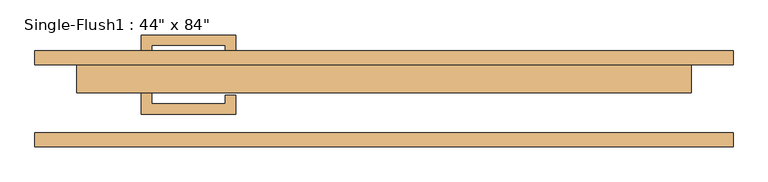
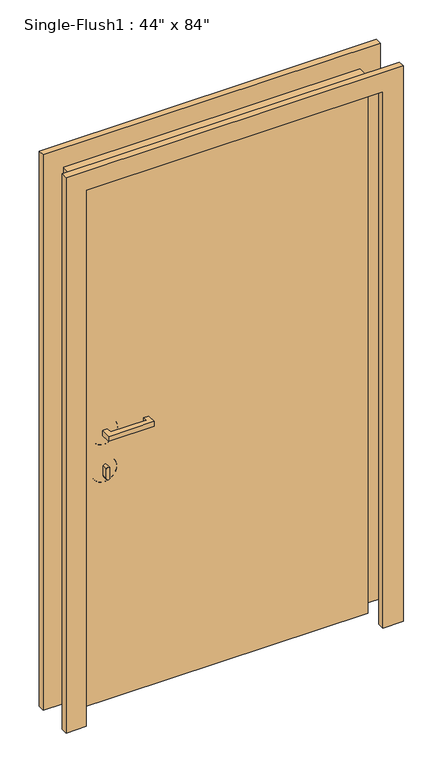
"""IFC4 building model written with IfcOpenShell, lengths in millimetres: door geometry."""

from ifc_helpers import new_model, si_unit, point, frame, frame_2d, origin, origin_with_axes, place, context, project, spatial, polyline, circle_curve, ellipse_curve, trimmed, segment, composite_curve, outline, extrude, source, transform, mapped, element, save
from ifc_brep_helpers import plane_surface, cylinder_surface, revolved_surface, advanced_brep


def door_88260e03(model_context):
    return source(origin(), model_context, "Body", "SolidModel", [
        extrude(outline(polyline([(-422.275, 12.7), (-422.275, -9.525), (-288.925, -9.525), (-288.925, 6.35), (-269.875, 6.35), (-269.875, -28.575), (-441.325, -28.575), (-441.325, 12.7), (-422.275, 12.7)])), frame((0.0, 0.0, 1057.275), z_axis=(0.0, 0.0, 1.0), x_axis=(1.0, 0.0, 0.0)), (0.0, 0.0, 1.0), 19.05),
        extrude(outline(composite_curve([segment(trimmed(circle_curve(frame_2d((895.35, -431.8)), 6.35), [point((895.35, -438.15))], [point((895.35, -425.45))], False, "CARTESIAN"), True, "CONTINUOUS"), segment(polyline([(895.35, -425.45), (933.45, -425.45)]), True, "CONTINUOUS"), segment(trimmed(circle_curve(frame_2d((933.45, -431.8)), 6.35), [point((933.45, -425.45))], [point((933.45, -438.15))], False, "CARTESIAN"), True, "CONTINUOUS"), segment(polyline([(933.45, -438.15), (895.35, -438.15)]), True, "CONTINUOUS")], self_intersect=False)), frame((0.0, -9.525, 0.0), z_axis=(0.0, 1.0, 0.0), x_axis=(0.0, 0.0, 1.0)), (0.0, 0.0, 1.0), 22.225),
        advanced_brep(
        [(-384.175, 15.875, 914.4), (-384.175, 25.4, 914.4), (-479.425, 25.4, 914.4), (-479.425, 15.875, 914.4), (-387.35, 12.7, 914.4), (-476.25, 12.7, 914.4), (-431.8, 12.7, 914.4), (-431.8, 25.4, 914.4)],
        [
            (0, 1),
            (1, 2, circle_curve(frame((-431.8, 25.4, 914.4), z_axis=(0.0, -1.0, 0.0), x_axis=(-1.0, 0.0, 0.0)), 47.625)),
            (2, 3),
            (3, 0, circle_curve(frame((-431.8, 15.875, 914.4), z_axis=(0.0, 1.0, 0.0), x_axis=(-1.0, 0.0, 0.0)), 47.625)),
            (2, 1, circle_curve(frame((-431.8, 25.4, 914.4), z_axis=(0.0, -1.0, 0.0), x_axis=(-1.0, 0.0, 0.0)), 47.625)),
            (0, 3, circle_curve(frame((-431.8, 15.875, 914.4), z_axis=(0.0, 1.0, 0.0), x_axis=(-1.0, 0.0, 0.0)), 47.625)),
            (4, 0, circle_curve(frame((-387.35, 15.875, 914.4), z_axis=(0.0, 0.0, 1.0), x_axis=(-1.0, 0.0, 0.0)), 3.175)),
            (3, 5, circle_curve(frame((-476.25, 15.875, 914.4), z_axis=(0.0, 0.0, 1.0), x_axis=(1.0, 0.0, 0.0)), 3.175)),
            (5, 4, circle_curve(frame((-431.8, 12.7, 914.4), z_axis=(0.0, 1.0, 0.0), x_axis=(-1.0, 0.0, 0.0)), 44.45)),
            (4, 5, circle_curve(frame((-431.8, 12.7, 914.4), z_axis=(0.0, 1.0, 0.0), x_axis=(-1.0, 0.0, 0.0)), 44.45)),
            (6, 4),
            (5, 6),
            (1, 7),
            (7, 2),
        ],
        [
            cylinder_surface(frame((-431.8, 152.4, 914.4), z_axis=(0.0, -1.0, 0.0), x_axis=(-1.0, 0.0, 0.0)), 47.625),
            revolved_surface(trimmed(ellipse_curve(frame((-476.25, 15.875, 914.4), z_axis=(0.0, 0.0, 1.0), x_axis=(1.0, 0.0, 0.0)), 3.175, 3.175), [point((-479.425, 15.875, 914.4))], [point((-476.25, 12.7, 914.4))], True, "CARTESIAN"), (-431.8, 152.4, 914.4), (0.0, -1.0, 0.0)),
            plane_surface(frame((-431.8, 12.7, 914.4), z_axis=(0.0, -1.0, 0.0), x_axis=(-1.0, 0.0, 0.0))),
            plane_surface(frame((-431.8, 25.4, 914.4), z_axis=(0.0, 1.0, 0.0), x_axis=(-1.0, 0.0, 0.0))),
        ],
        [
            (0, [[1, 2, 3, 4]]),
            (0, [[-3, 5, -1, 6]]),
            (1, [[7, -4, 8, 9]]),
            (1, [[-8, -6, -7, 10]]),
            (2, [[11, -9, 12]]),
            (2, [[-12, -10, -11]]),
            (3, [[13, 14, -2]]),
            (3, [[-14, -13, -5]]),
        ],
    ),
        advanced_brep(
        [(-381.0, 15.875, 1066.8), (-381.0, 25.4, 1066.8), (-482.6, 25.4, 1066.8), (-482.6, 15.875, 1066.8), (-384.175, 12.7, 1066.8), (-479.425, 12.7, 1066.8), (-431.8, 12.7, 1066.8), (-431.8, 25.4, 1066.8)],
        [
            (0, 1),
            (1, 2, circle_curve(frame((-431.8, 25.4, 1066.8), z_axis=(0.0, -1.0, 0.0), x_axis=(-1.0, 0.0, 0.0)), 50.8)),
            (2, 3),
            (3, 0, circle_curve(frame((-431.8, 15.875, 1066.8), z_axis=(0.0, 1.0, 0.0), x_axis=(-1.0, 0.0, 0.0)), 50.8)),
            (2, 1, circle_curve(frame((-431.8, 25.4, 1066.8), z_axis=(0.0, -1.0, 0.0), x_axis=(-1.0, 0.0, 0.0)), 50.8)),
            (0, 3, circle_curve(frame((-431.8, 15.875, 1066.8), z_axis=(0.0, 1.0, 0.0), x_axis=(-1.0, 0.0, 0.0)), 50.8)),
            (4, 0, circle_curve(frame((-384.175, 15.875, 1066.8), z_axis=(0.0, 0.0, 1.0), x_axis=(-1.0, 0.0, 0.0)), 3.175)),
            (3, 5, circle_curve(frame((-479.425, 15.875, 1066.8), z_axis=(0.0, 0.0, 1.0), x_axis=(1.0, 0.0, 0.0)), 3.175)),
            (5, 4, circle_curve(frame((-431.8, 12.7, 1066.8), z_axis=(0.0, 1.0, 0.0), x_axis=(-1.0, 0.0, 0.0)), 47.625)),
            (4, 5, circle_curve(frame((-431.8, 12.7, 1066.8), z_axis=(0.0, 1.0, 0.0), x_axis=(-1.0, 0.0, 0.0)), 47.625)),
            (6, 4),
            (5, 6),
            (1, 7),
            (7, 2),
        ],
        [
            cylinder_surface(frame((-431.8, 152.4, 1066.8), z_axis=(0.0, -1.0, 0.0), x_axis=(-1.0, 0.0, 0.0)), 50.8),
            revolved_surface(trimmed(ellipse_curve(frame((-479.425, 15.875, 1066.8), z_axis=(0.0, 0.0, 1.0), x_axis=(1.0, 0.0, 0.0)), 3.175, 3.175), [point((-482.6, 15.875, 1066.8))], [point((-479.425, 12.7, 1066.8))], True, "CARTESIAN"), (-431.8, 152.4, 1066.8), (0.0, -1.0, 0.0)),
            plane_surface(frame((-431.8, 12.7, 1066.8), z_axis=(0.0, -1.0, 0.0), x_axis=(-1.0, 0.0, 0.0))),
            plane_surface(frame((-431.8, 25.4, 1066.8), z_axis=(0.0, 1.0, 0.0), x_axis=(-1.0, 0.0, 0.0))),
        ],
        [
            (0, [[1, 2, 3, 4]]),
            (0, [[-3, 5, -1, 6]]),
            (1, [[7, -4, 8, 9]]),
            (1, [[-8, -6, -7, 10]]),
            (2, [[11, -9, 12]]),
            (2, [[-12, -10, -11]]),
            (3, [[13, 14, -2]]),
            (3, [[-14, -13, -5]]),
        ],
    ),
        extrude(outline(polyline([(-422.275, 74.6125), (-441.325, 74.6125), (-441.325, 115.8875), (-269.875, 115.8875), (-269.875, 80.9625), (-288.925, 80.9625), (-288.925, 96.8375), (-422.275, 96.8375), (-422.275, 74.6125)])), frame((0.0, 0.0, 1057.275), z_axis=(0.0, 0.0, 1.0), x_axis=(1.0, 0.0, 0.0)), (0.0, 0.0, 1.0), 19.05),
        extrude(outline(composite_curve([segment(trimmed(circle_curve(frame_2d((895.35, -431.8)), 6.35), [point((895.35, -438.15))], [point((895.35, -425.45))], False, "CARTESIAN"), True, "CONTINUOUS"), segment(polyline([(895.35, -425.45), (933.45, -425.45)]), True, "CONTINUOUS"), segment(trimmed(circle_curve(frame_2d((933.45, -431.8)), 6.35), [point((933.45, -425.45))], [point((933.45, -438.15))], False, "CARTESIAN"), True, "CONTINUOUS"), segment(polyline([(933.45, -438.15), (895.35, -438.15)]), True, "CONTINUOUS")], self_intersect=False)), frame((0.0, 74.6125, 0.0), z_axis=(0.0, 1.0, 0.0), x_axis=(0.0, 0.0, 1.0)), (0.0, 0.0, 1.0), 22.225),
        advanced_brep(
        [(-384.175, 71.4375, 914.4), (-479.425, 71.4375, 914.4), (-479.425, 61.9125, 914.4), (-384.175, 61.9125, 914.4), (-387.35, 74.6125, 914.4), (-476.25, 74.6125, 914.4), (-431.8, 74.6125, 914.4), (-431.8, 61.9125, 914.4)],
        [
            (0, 1, circle_curve(frame((-431.8, 71.4375, 914.4), z_axis=(0.0, -1.0, 0.0), x_axis=(-1.0, 0.0, 0.0)), 47.625)),
            (1, 2),
            (2, 3, circle_curve(frame((-431.8, 61.9125, 914.4), z_axis=(0.0, 1.0, 0.0), x_axis=(-1.0, 0.0, 0.0)), 47.625)),
            (3, 0),
            (1, 0, circle_curve(frame((-431.8, 71.4375, 914.4), z_axis=(0.0, -1.0, 0.0), x_axis=(-1.0, 0.0, 0.0)), 47.625)),
            (3, 2, circle_curve(frame((-431.8, 61.9125, 914.4), z_axis=(0.0, 1.0, 0.0), x_axis=(-1.0, 0.0, 0.0)), 47.625)),
            (4, 5, circle_curve(frame((-431.8, 74.6125, 914.4), z_axis=(0.0, -1.0, 0.0), x_axis=(-1.0, 0.0, 0.0)), 44.45)),
            (5, 1, circle_curve(frame((-476.25, 71.4375, 914.4), z_axis=(0.0, 0.0, 1.0), x_axis=(1.0, 0.0, 0.0)), 3.175)),
            (0, 4, circle_curve(frame((-387.35, 71.4375, 914.4), z_axis=(0.0, 0.0, 1.0), x_axis=(-1.0, 0.0, 0.0)), 3.175)),
            (5, 4, circle_curve(frame((-431.8, 74.6125, 914.4), z_axis=(0.0, -1.0, 0.0), x_axis=(-1.0, 0.0, 0.0)), 44.45)),
            (6, 5),
            (4, 6),
            (2, 7),
            (7, 3),
        ],
        [
            cylinder_surface(frame((-431.8, -65.0875, 914.4), z_axis=(0.0, 1.0, 0.0), x_axis=(-1.0, 0.0, 0.0)), 47.625),
            revolved_surface(trimmed(ellipse_curve(frame((-476.25, 71.4375, 914.4), z_axis=(0.0, 0.0, -1.0), x_axis=(1.0, 0.0, 0.0)), 3.175, 3.175), [point((-479.425, 71.4375, 914.4))], [point((-476.25, 74.6125, 914.4))], True, "CARTESIAN"), (-431.8, -65.0875, 914.4), (0.0, 1.0, 0.0)),
            plane_surface(frame((-431.8, 74.6125, 914.4), z_axis=(0.0, 1.0, 0.0), x_axis=(-1.0, 0.0, 0.0))),
            plane_surface(frame((-431.8, 61.9125, 914.4), z_axis=(0.0, -1.0, 0.0), x_axis=(-1.0, 0.0, 0.0))),
        ],
        [
            (0, [[1, 2, 3, 4]]),
            (0, [[5, -4, 6, -2]]),
            (1, [[7, 8, -1, 9]]),
            (1, [[10, -9, -5, -8]]),
            (2, [[11, -7, 12]]),
            (2, [[-12, -10, -11]]),
            (3, [[-3, 13, 14]]),
            (3, [[-6, -14, -13]]),
        ],
    ),
        advanced_brep(
        [(-381.0, 71.4375, 1066.8), (-482.6, 71.4375, 1066.8), (-482.6, 61.9125, 1066.8), (-381.0, 61.9125, 1066.8), (-384.175, 74.6125, 1066.8), (-479.425, 74.6125, 1066.8), (-431.8, 74.6125, 1066.8), (-431.8, 61.9125, 1066.8)],
        [
            (0, 1, circle_curve(frame((-431.8, 71.4375, 1066.8), z_axis=(0.0, -1.0, 0.0), x_axis=(-1.0, 0.0, 0.0)), 50.8)),
            (1, 2),
            (2, 3, circle_curve(frame((-431.8, 61.9125, 1066.8), z_axis=(0.0, 1.0, 0.0), x_axis=(-1.0, 0.0, 0.0)), 50.8)),
            (3, 0),
            (1, 0, circle_curve(frame((-431.8, 71.4375, 1066.8), z_axis=(0.0, -1.0, 0.0), x_axis=(-1.0, 0.0, 0.0)), 50.8)),
            (3, 2, circle_curve(frame((-431.8, 61.9125, 1066.8), z_axis=(0.0, 1.0, 0.0), x_axis=(-1.0, 0.0, 0.0)), 50.8)),
            (4, 5, circle_curve(frame((-431.8, 74.6125, 1066.8), z_axis=(0.0, -1.0, 0.0), x_axis=(-1.0, 0.0, 0.0)), 47.625)),
            (5, 1, circle_curve(frame((-479.425, 71.4375, 1066.8), z_axis=(0.0, 0.0, 1.0), x_axis=(1.0, 0.0, 0.0)), 3.175)),
            (0, 4, circle_curve(frame((-384.175, 71.4375, 1066.8), z_axis=(0.0, 0.0, 1.0), x_axis=(-1.0, 0.0, 0.0)), 3.175)),
            (5, 4, circle_curve(frame((-431.8, 74.6125, 1066.8), z_axis=(0.0, -1.0, 0.0), x_axis=(-1.0, 0.0, 0.0)), 47.625)),
            (6, 5),
            (4, 6),
            (2, 7),
            (7, 3),
        ],
        [
            cylinder_surface(frame((-431.8, -65.0875, 1066.8), z_axis=(0.0, 1.0, 0.0), x_axis=(-1.0, 0.0, 0.0)), 50.8),
            revolved_surface(trimmed(ellipse_curve(frame((-479.425, 71.4375, 1066.8), z_axis=(0.0, 0.0, -1.0), x_axis=(1.0, 0.0, 0.0)), 3.175, 3.175), [point((-482.6, 71.4375, 1066.8))], [point((-479.425, 74.6125, 1066.8))], True, "CARTESIAN"), (-431.8, -65.0875, 1066.8), (0.0, 1.0, 0.0)),
            plane_surface(frame((-431.8, 74.6125, 1066.8), z_axis=(0.0, 1.0, 0.0), x_axis=(-1.0, 0.0, 0.0))),
            plane_surface(frame((-431.8, 61.9125, 1066.8), z_axis=(0.0, -1.0, 0.0), x_axis=(-1.0, 0.0, 0.0))),
        ],
        [
            (0, [[1, 2, 3, 4]]),
            (0, [[5, -4, 6, -2]]),
            (1, [[7, 8, -1, 9]]),
            (1, [[10, -9, -5, -8]]),
            (2, [[11, -7, 12]]),
            (2, [[-12, -10, -11]]),
            (3, [[-3, 13, 14]]),
            (3, [[-6, -14, -13]]),
        ],
    ),
        extrude(outline(polyline([(2209.8, -635.0), (0.0, -635.0), (0.0, -558.8), (2133.6, -558.8), (2133.6, 558.8), (0.0, 558.8), (0.0, 635.0), (2209.8, 635.0), (2209.8, -635.0)])), frame((0.0, 61.9125, 0.0), z_axis=(0.0, 1.0, 0.0), x_axis=(0.0, 0.0, 1.0)), (0.0, 0.0, 1.0), 25.4),
        extrude(outline(polyline([(2209.8, 635.0), (2209.8, -635.0), (0.0, -635.0), (0.0, -558.8), (2133.6, -558.8), (2133.6, 558.8), (0.0, 558.8), (0.0, 635.0), (2209.8, 635.0)])), frame((0.0, -87.3125, 0.0), z_axis=(0.0, 1.0, 0.0), x_axis=(0.0, 0.0, 1.0)), (0.0, 0.0, 1.0), 25.4),
        extrude(outline(polyline([(558.8, 11.1125), (-558.8, 11.1125), (-558.8, 61.9125), (558.8, 61.9125), (558.8, 11.1125)])), origin_with_axes(), (0.0, 0.0, 1.0), 2133.6),
    ])


if __name__ == "__main__":
    model = new_model("IFC4")
    model_context = context("Model", 3, world=origin())
    ifc_project = project(units=[si_unit("LENGTHUNIT", "METRE", prefix="MILLI")], contexts=[model_context])
    site = spatial("IfcSite", under=ifc_project)
    building = spatial("IfcBuilding", under=site)
    placement = place(None, origin())
    door_shape = door_88260e03(model_context)
    element("IfcDoor", 1, ObjectType="Single-Flush1 : 44\" x 84\"", at=placement, inside=building, context=model_context, shape_type="MappedRepresentation", body=[
        mapped(door_shape, transform((0.0, 0.0, 0.0), x_axis=(1.0, 0.0, 0.0), y_axis=(0.0, 1.0, 0.0), z_axis=(0.0, 0.0, 1.0))),
    ])
    save(model, "model.ifc")
